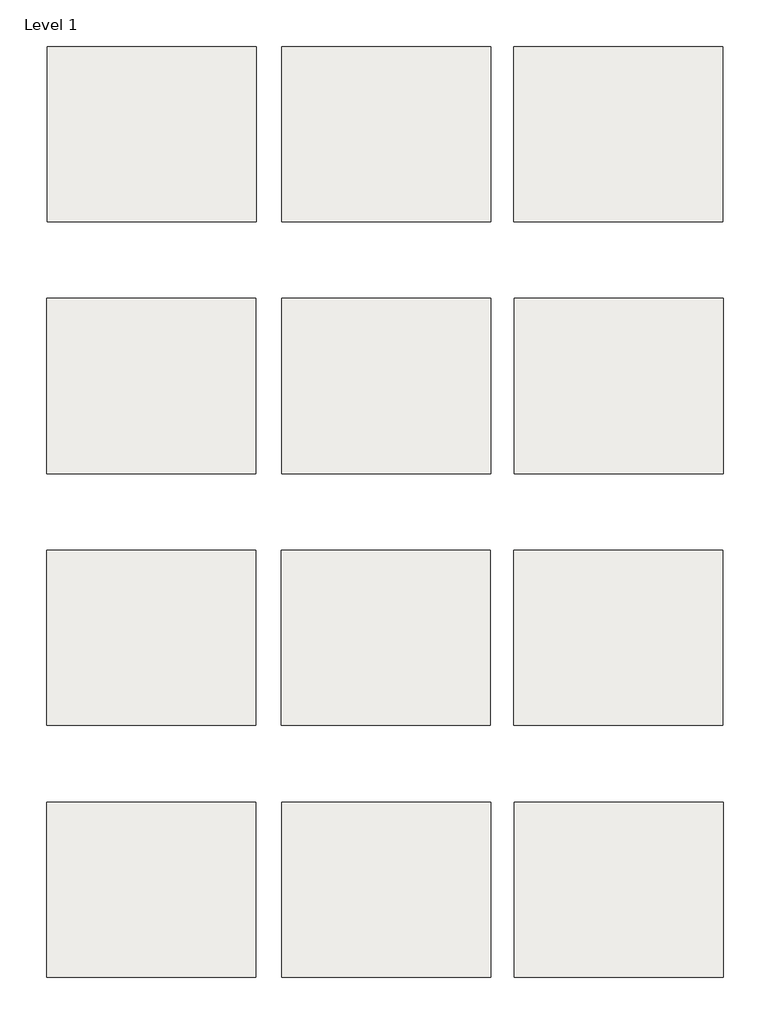
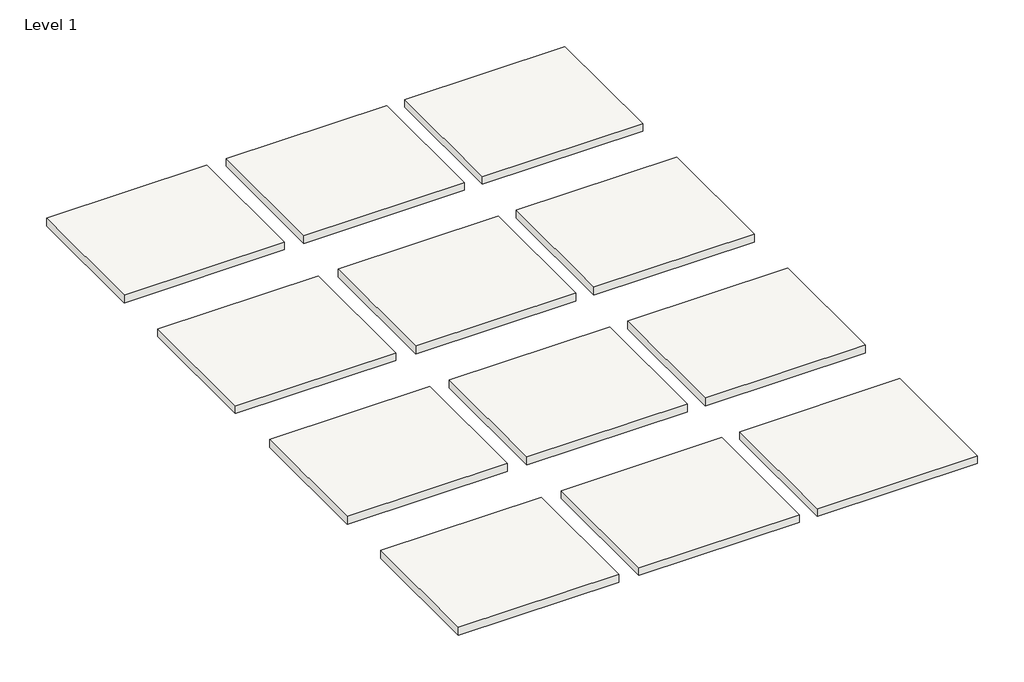
# One storey: 12 slabs.
"""IFC4 building model written with IfcOpenShell, lengths in millimetres."""

from ifc_helpers import new_model, si_unit, frame, origin, place, context, project, spatial, polyline, outline, extrude, element, save

model = new_model("IFC4")

# Units and contexts
model_context = context("Model", 3, world=origin())
ifc_project = project(units=[si_unit("LENGTHUNIT", "METRE", prefix="MILLI")], contexts=[model_context])

# Site, building, storey
site = spatial("IfcSite", under=ifc_project)
building = spatial("IfcBuilding", under=site)
storey = spatial("IfcBuildingStorey", under=building, Name="Level 1", Elevation=0.0)

# Slabs
placement = place(None, origin())
element("IfcSlab", 1, at=placement, inside=storey, context=model_context, shape_type="SweptSolid", body=[
    extrude(outline(polyline([(1556.0313355, 2958.0808642), (1556.0313355, 2646.9308642), (1184.7061728, 2646.9308642), (1184.7061728, 2958.0808642), (1556.0313355, 2958.0808642)])), frame((0.0, 0.0, -19.05), z_axis=(0.0, 0.0, 1.0), x_axis=(1.0, 0.0, 0.0)), (0.0, 0.0, 1.0), 19.05),
])
element("IfcSlab", 2, at=placement, inside=storey, context=model_context, shape_type="SweptSolid", body=[
    extrude(outline(polyline([(1972.551648, 2958.0808642), (1972.551648, 2646.9308642), (1601.2264853, 2646.9308642), (1601.2264853, 2958.0808642), (1972.551648, 2958.0808642)])), frame((0.0, 0.0, -19.05), z_axis=(0.0, 0.0, 1.0), x_axis=(1.0, 0.0, 0.0)), (0.0, 0.0, 1.0), 19.05),
])
element("IfcSlab", 3, at=placement, inside=storey, context=model_context, shape_type="SweptSolid", body=[
    extrude(outline(polyline([(2385.301648, 2958.0808642), (2385.301648, 2646.9308642), (2013.9764853, 2646.9308642), (2013.9764853, 2958.0808642), (2385.301648, 2958.0808642)])), frame((0.0, 0.0, -19.05), z_axis=(0.0, 0.0, 1.0), x_axis=(1.0, 0.0, 0.0)), (0.0, 0.0, 1.0), 19.05),
])
element("IfcSlab", 4, at=placement, inside=storey, context=model_context, shape_type="SweptSolid", body=[
    extrude(outline(polyline([(1555.4062067, 2510.7801187), (1555.4062067, 2199.6301187), (1184.081044, 2199.6301187), (1184.081044, 2510.7801187), (1555.4062067, 2510.7801187)])), frame((0.0, 0.0, -19.05), z_axis=(0.0, 0.0, 1.0), x_axis=(1.0, 0.0, 0.0)), (0.0, 0.0, 1.0), 19.05),
])
element("IfcSlab", 5, at=placement, inside=storey, context=model_context, shape_type="SweptSolid", body=[
    extrude(outline(polyline([(1972.9187067, 2510.7801187), (1972.9187067, 2199.6301187), (1601.593544, 2199.6301187), (1601.593544, 2510.7801187), (1972.9187067, 2510.7801187)])), frame((0.0, 0.0, -19.05), z_axis=(0.0, 0.0, 1.0), x_axis=(1.0, 0.0, 0.0)), (0.0, 0.0, 1.0), 19.05),
])
element("IfcSlab", 6, at=placement, inside=storey, context=model_context, shape_type="SweptSolid", body=[
    extrude(outline(polyline([(2385.6687067, 2510.7801187), (2385.6687067, 2199.6301187), (2014.343544, 2199.6301187), (2014.343544, 2510.7801187), (2385.6687067, 2510.7801187)])), frame((0.0, 0.0, -19.05), z_axis=(0.0, 0.0, 1.0), x_axis=(1.0, 0.0, 0.0)), (0.0, 0.0, 1.0), 19.05),
])
element("IfcSlab", 7, at=placement, inside=storey, context=model_context, shape_type="SweptSolid", body=[
    extrude(outline(polyline([(1555.8745589, 2063.220744), (1555.8745589, 1752.070744), (1184.5493962, 1752.070744), (1184.5493962, 2063.220744), (1555.8745589, 2063.220744)])), frame((0.0, 0.0, -19.05), z_axis=(0.0, 0.0, 1.0), x_axis=(1.0, 0.0, 0.0)), (0.0, 0.0, 1.0), 19.05),
])
element("IfcSlab", 8, at=placement, inside=storey, context=model_context, shape_type="SweptSolid", body=[
    extrude(outline(polyline([(1972.1964339, 2063.220744), (1972.1964339, 1752.070744), (1600.8712712, 1752.070744), (1600.8712712, 2063.220744), (1972.1964339, 2063.220744)])), frame((0.0, 0.0, -19.05), z_axis=(0.0, 0.0, 1.0), x_axis=(1.0, 0.0, 0.0)), (0.0, 0.0, 1.0), 19.05),
])
element("IfcSlab", 9, at=placement, inside=storey, context=model_context, shape_type="SweptSolid", body=[
    extrude(outline(polyline([(2384.9464339, 2063.220744), (2384.9464339, 1752.070744), (2013.6212712, 1752.070744), (2013.6212712, 2063.220744), (2384.9464339, 2063.220744)])), frame((0.0, 0.0, -19.05), z_axis=(0.0, 0.0, 1.0), x_axis=(1.0, 0.0, 0.0)), (0.0, 0.0, 1.0), 19.05),
])
element("IfcSlab", 10, at=placement, inside=storey, context=model_context, shape_type="SweptSolid", body=[
    extrude(outline(polyline([(1555.1522862, 1615.6613693), (1555.1522862, 1304.5113693), (1183.8271235, 1304.5113693), (1183.8271235, 1615.6613693), (1555.1522862, 1615.6613693)])), frame((0.0, 0.0, -19.05), z_axis=(0.0, 0.0, 1.0), x_axis=(1.0, 0.0, 0.0)), (0.0, 0.0, 1.0), 19.05),
])
element("IfcSlab", 11, at=placement, inside=storey, context=model_context, shape_type="SweptSolid", body=[
    extrude(outline(polyline([(1973.0616612, 1615.6613693), (1973.0616612, 1304.5113693), (1601.7364985, 1304.5113693), (1601.7364985, 1615.6613693), (1973.0616612, 1615.6613693)])), frame((0.0, 0.0, -19.05), z_axis=(0.0, 0.0, 1.0), x_axis=(1.0, 0.0, 0.0)), (0.0, 0.0, 1.0), 19.05),
])
element("IfcSlab", 12, at=placement, inside=storey, context=model_context, shape_type="SweptSolid", body=[
    extrude(outline(polyline([(2385.8116612, 1615.6613693), (2385.8116612, 1304.5113693), (2014.4864985, 1304.5113693), (2014.4864985, 1615.6613693), (2385.8116612, 1615.6613693)])), frame((0.0, 0.0, -19.05), z_axis=(0.0, 0.0, 1.0), x_axis=(1.0, 0.0, 0.0)), (0.0, 0.0, 1.0), 19.05),
])

save(model, "model.ifc")
